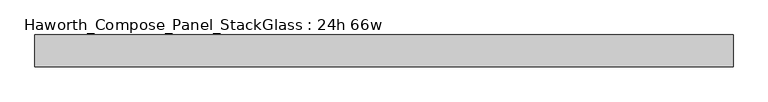
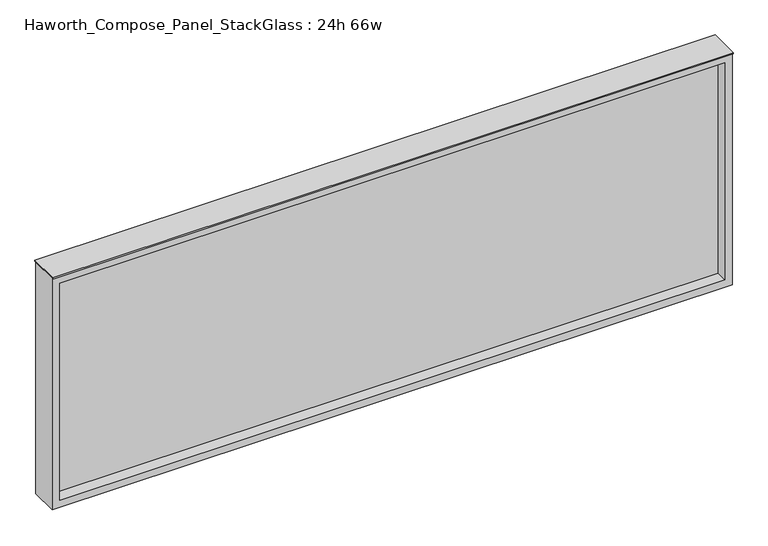
"""IFC4 building model written with IfcOpenShell, lengths in millimetres: furniture geometry, Haworth_Compose_Panel_StackGlass : 24h 66w."""

from ifc_helpers import new_model, si_unit, frame, origin, place, context, project, spatial, polyline, outline, extrude, source, transform, mapped, element, save


def haworth_compose_panel_stackglass_24h_66w_35749257(model_context):
    return source(origin(), model_context, "Body", "SweptSolid", [
        extrude(outline(polyline([(821.5902902, -6.35), (-816.7097098, -6.35), (-816.7097098, 6.35), (821.5902902, 6.35), (821.5902902, -6.35)])), frame((0.0, 0.0, 1085.85), z_axis=(0.0, 0.0, 1.0), x_axis=(1.0, 0.0, 0.0)), (0.0, 0.0, 1.0), 565.15),
        extrude(outline(polyline([(1670.05, -835.7597098), (1066.8, -835.7597098), (1066.8, 840.6402902), (1670.05, 840.6402902), (1670.05, -835.7597098)]), holes=[polyline([(1651.0, 821.5902902), (1085.85, 821.5902902), (1085.85, -816.7097098), (1651.0, -816.7097098), (1651.0, 821.5902902)])]), frame((0.0, -34.925, 0.0), z_axis=(0.0, 1.0, 0.0), x_axis=(0.0, 0.0, 1.0)), (0.0, 0.0, 1.0), 69.85),
        extrude(outline(polyline([(-835.7597098, -38.1), (-835.7597098, 38.1), (840.6402902, 38.1), (840.6402902, -38.1), (-835.7597098, -38.1)])), frame((0.0, 0.0, 1670.05), z_axis=(0.0, 0.0, 1.0), x_axis=(1.0, 0.0, 0.0)), (0.0, 0.0, 1.0), 3.175),
    ])


if __name__ == "__main__":
    model = new_model("IFC4")
    model_context = context("Model", 3, world=origin())
    ifc_project = project(units=[si_unit("LENGTHUNIT", "METRE", prefix="MILLI")], contexts=[model_context])
    site = spatial("IfcSite", under=ifc_project)
    building = spatial("IfcBuilding", under=site)
    placement = place(None, origin())
    haworth_compose_panel_stackglass_24h_66w_shape = haworth_compose_panel_stackglass_24h_66w_35749257(model_context)
    element("IfcFurniture", 1, ObjectType="Haworth_Compose_Panel_StackGlass : 24h 66w", at=placement, inside=building, context=model_context, shape_type="MappedRepresentation", body=[
        mapped(haworth_compose_panel_stackglass_24h_66w_shape, transform((0.0, 0.0, 0.0), x_axis=(1.0, 0.0, 0.0), y_axis=(0.0, 1.0, 0.0), z_axis=(0.0, 0.0, 1.0))),
    ])
    save(model, "model.ifc")
